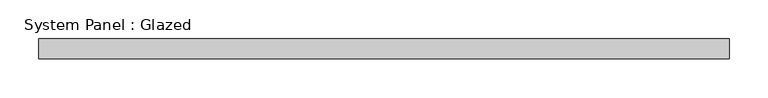
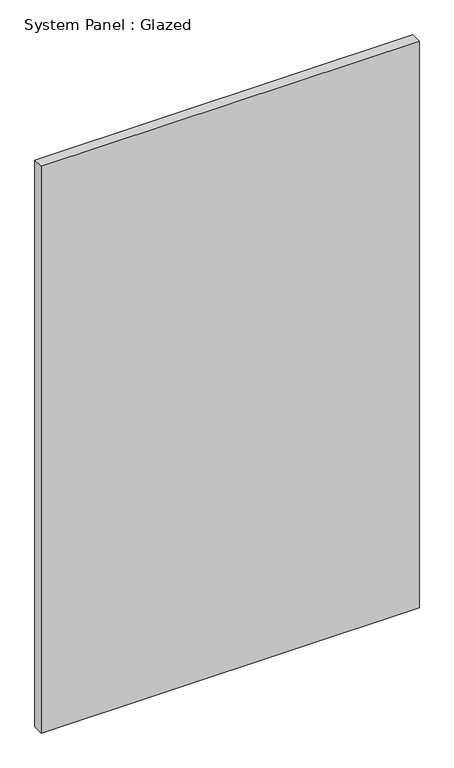
"""IFC4 building model written with IfcOpenShell, lengths in millimetres: plate geometry, System Panel : Glazed."""

from ifc_helpers import new_model, si_unit, origin, origin_with_axes, place, context, project, spatial, polyline, outline, extrude, source, transform, mapped, element, save


def system_panel_glazed_964a7f80(model_context):
    return source(origin(), model_context, "Body", "SweptSolid", [
        extrude(outline(polyline([(444.5, -44.45), (-444.5, -44.45), (-444.5, -19.05), (444.5, -19.05), (444.5, -44.45)])), origin_with_axes(), (0.0, 0.0, 1.0), 1409.7),
    ])


if __name__ == "__main__":
    model = new_model("IFC4")
    model_context = context("Model", 3, world=origin())
    ifc_project = project(units=[si_unit("LENGTHUNIT", "METRE", prefix="MILLI")], contexts=[model_context])
    site = spatial("IfcSite", under=ifc_project)
    building = spatial("IfcBuilding", under=site)
    placement = place(None, origin())
    system_panel_glazed_shape = system_panel_glazed_964a7f80(model_context)
    element("IfcPlate", 1, ObjectType="System Panel : Glazed", at=placement, inside=building, context=model_context, shape_type="MappedRepresentation", body=[
        mapped(system_panel_glazed_shape, transform((0.0, 0.0, 0.0), x_axis=(1.0, 0.0, 0.0), y_axis=(0.0, 1.0, 0.0), z_axis=(0.0, 0.0, 1.0))),
    ])
    save(model, "model.ifc")
